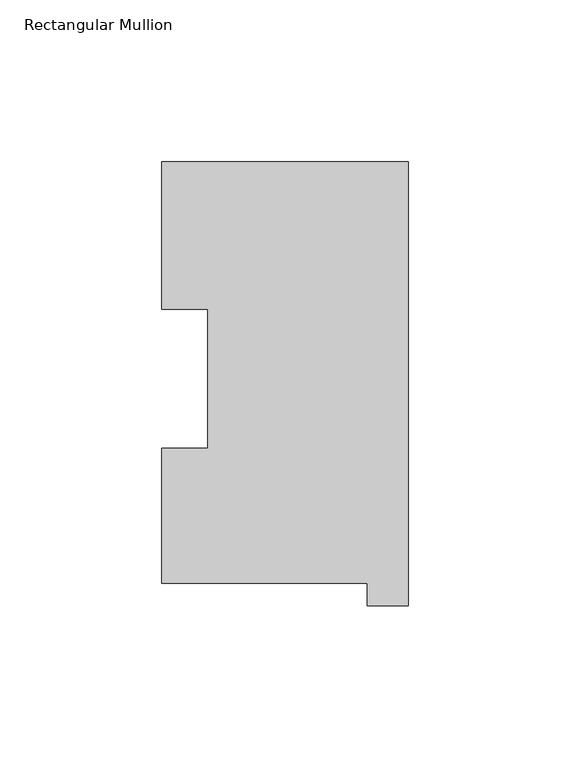
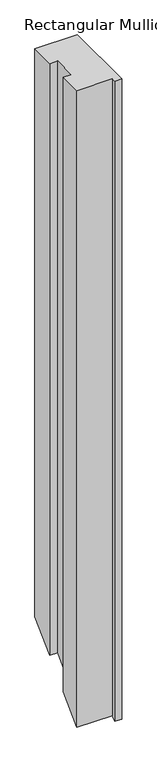
"""IFC4 building model written with IfcOpenShell, lengths in millimetres: member geometry, Rectangular Mullion."""

from ifc_helpers import new_model, si_unit, origin, place, context, project, spatial, faceted_brep, source, transform, mapped, element, save


def rectangular_mullion_305101e4(model_context):
    return source(origin(), model_context, "Body", "Brep", [
        faceted_brep([(-76.2, 130.2646937, 0.0), (-76.2, 84.6335938, 0.0), (-61.9101579, 84.6335938, 0.0), (-61.9101579, 41.7508474, 0.0), (-76.2, 41.7508474, 0.0), (-76.2, -0.0373063, 0.0), (-12.7, -0.0373063, 0.0), (-12.7, -6.9461063, 0.0), (0.0, -6.9461063, 0.0), (0.0, 130.2646937, 0.0), (-76.2, 130.2646937, -1076.2416563), (-76.2, 84.6335938, -1121.8727563), (-61.9101579, 84.6335938, -1121.8727563), (-61.9101579, 41.7508474, -1164.7555026), (-76.2, 41.7508474, -1164.7555026), (-76.2, -0.0373063, -1206.5436563), (-12.7, -0.0373063, -1206.5436563), (-12.7, -6.9461063, -1213.4524563), (0.0, -6.9461063, -1213.4524563), (0.0, 130.2646937, -1076.2416563)], [[[0, 1, 2, 3, 4, 5, 6, 7, 8, 9]], [[1, 0, 10, 11]], [[2, 1, 11, 12]], [[3, 2, 12, 13]], [[4, 3, 13, 14]], [[5, 4, 14, 15]], [[6, 5, 15, 16]], [[7, 6, 16, 17]], [[8, 7, 17, 18]], [[9, 8, 18, 19]], [[0, 9, 19, 10]], [[10, 19, 18, 17, 16, 15, 14, 13, 12, 11]]]),
    ])


if __name__ == "__main__":
    model = new_model("IFC4")
    model_context = context("Model", 3, world=origin())
    ifc_project = project(units=[si_unit("LENGTHUNIT", "METRE", prefix="MILLI")], contexts=[model_context])
    site = spatial("IfcSite", under=ifc_project)
    building = spatial("IfcBuilding", under=site)
    placement = place(None, origin())
    rectangular_mullion_shape = rectangular_mullion_305101e4(model_context)
    element("IfcMember", 1, ObjectType="Rectangular Mullion", at=placement, inside=building, context=model_context, shape_type="MappedRepresentation", body=[
        mapped(rectangular_mullion_shape, transform((0.0, 0.0, 0.0), x_axis=(1.0, 0.0, 0.0), y_axis=(0.0, 1.0, 0.0), z_axis=(0.0, 0.0, 1.0))),
    ])
    save(model, "model.ifc")
